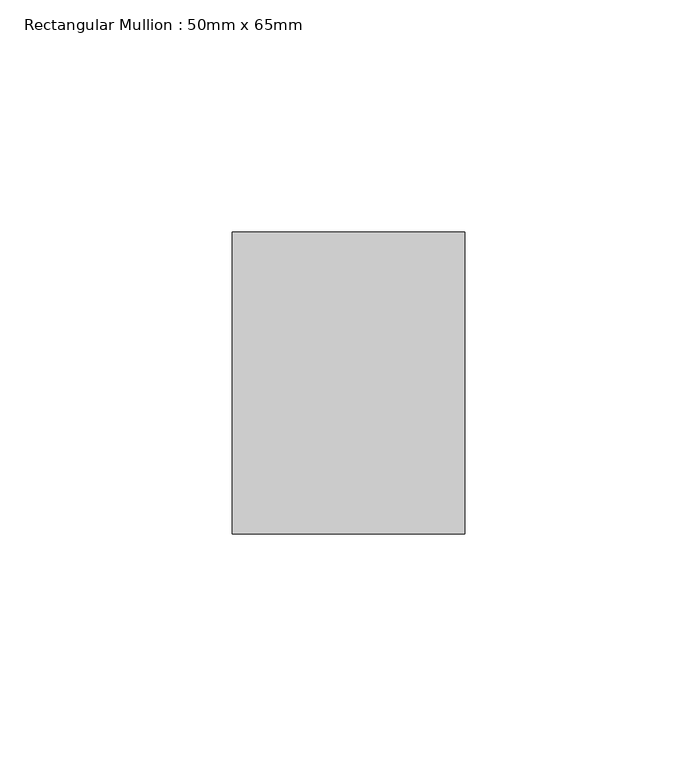
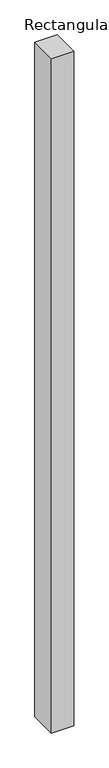
"""IFC4 building model written with IfcOpenShell, lengths in millimetres: member geometry, Rectangular Mullion : 50mm x 65mm."""

from ifc_helpers import new_model, si_unit, frame, origin, place, context, project, spatial, polyline, outline, extrude, source, transform, mapped, element, save


def rectangular_mullion_50mm_x_65mm_0c692292(model_context):
    return source(origin(), model_context, "Body", "SweptSolid", [
        extrude(outline(polyline([(25.0, 32.5), (25.0, -32.5), (-25.0, -32.5), (-25.0, 32.5), (25.0, 32.5)])), frame((0.0, 0.0, -1612.9643117), z_axis=(0.0, 0.0, 1.0), x_axis=(1.0, 0.0, 0.0)), (0.0, 0.0, 1.0), 1612.9643117),
    ])


if __name__ == "__main__":
    model = new_model("IFC4")
    model_context = context("Model", 3, world=origin())
    ifc_project = project(units=[si_unit("LENGTHUNIT", "METRE", prefix="MILLI")], contexts=[model_context])
    site = spatial("IfcSite", under=ifc_project)
    building = spatial("IfcBuilding", under=site)
    placement = place(None, origin())
    rectangular_mullion_50mm_x_65mm_shape = rectangular_mullion_50mm_x_65mm_0c692292(model_context)
    element("IfcMember", 1, ObjectType="Rectangular Mullion : 50mm x 65mm", at=placement, inside=building, context=model_context, shape_type="MappedRepresentation", body=[
        mapped(rectangular_mullion_50mm_x_65mm_shape, transform((0.0, 0.0, 0.0), x_axis=(1.0, 0.0, 0.0), y_axis=(0.0, 1.0, 0.0), z_axis=(0.0, 0.0, 1.0))),
    ])
    save(model, "model.ifc")
